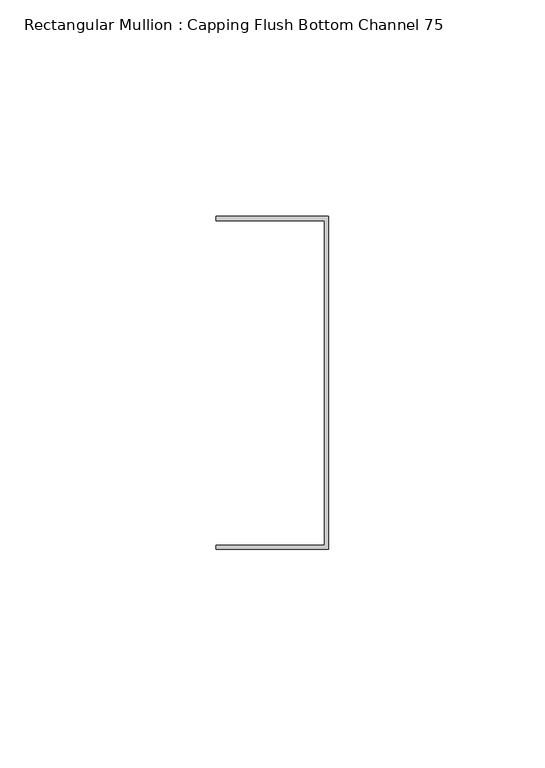
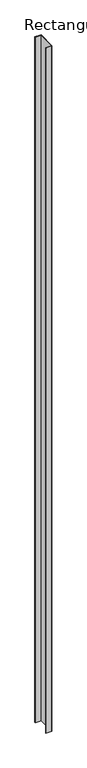
"""IFC4 building model written with IfcOpenShell, lengths in millimetres: member geometry, Rectangular Mullion : Capping Flush Bottom Channel 75."""

from ifc_helpers import new_model, si_unit, frame, origin, place, context, project, spatial, polyline, outline, extrude, source, transform, mapped, element, save


def rectangular_mullion_capping_flush_bottom_channel_75_59d55de7(model_context):
    return source(origin(), model_context, "Body", "SweptSolid", [
        extrude(outline(polyline([(-0.95, 37.5), (-25.95, 37.5), (-25.95, 38.45), (0.0, 38.45), (0.0, -38.45), (-25.95, -38.45), (-25.95, -37.5), (-0.95, -37.5), (-0.95, 37.5)])), frame((0.0, 0.0, -3000.0), z_axis=(0.0, 0.0, 1.0), x_axis=(1.0, 0.0, 0.0)), (0.0, 0.0, 1.0), 3000.0),
    ])


if __name__ == "__main__":
    model = new_model("IFC4")
    model_context = context("Model", 3, world=origin())
    ifc_project = project(units=[si_unit("LENGTHUNIT", "METRE", prefix="MILLI")], contexts=[model_context])
    site = spatial("IfcSite", under=ifc_project)
    building = spatial("IfcBuilding", under=site)
    placement = place(None, origin())
    rectangular_mullion_capping_flush_bottom_channel_75_shape = rectangular_mullion_capping_flush_bottom_channel_75_59d55de7(model_context)
    element("IfcMember", 1, ObjectType="Rectangular Mullion : Capping Flush Bottom Channel 75", at=placement, inside=building, context=model_context, shape_type="MappedRepresentation", body=[
        mapped(rectangular_mullion_capping_flush_bottom_channel_75_shape, transform((0.0, 0.0, 0.0), x_axis=(1.0, 0.0, 0.0), y_axis=(0.0, 1.0, 0.0), z_axis=(0.0, 0.0, 1.0))),
    ])
    save(model, "model.ifc")
